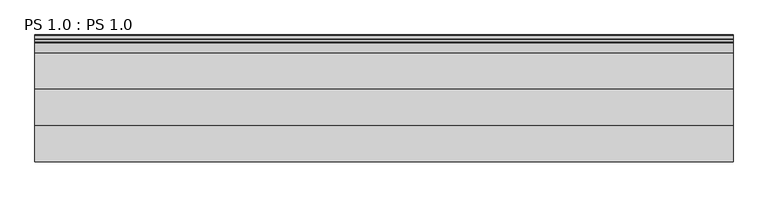
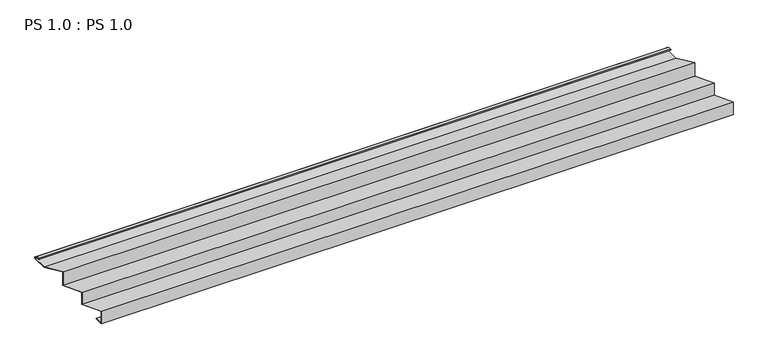
"""IFC4 building model written with IfcOpenShell, lengths in millimetres: proxy geometry, PS 1.0 : PS 1.0."""

from ifc_helpers import new_model, si_unit, point, frame, frame_2d, origin, place, context, project, spatial, polyline, circle_curve, trimmed, segment, composite_curve, outline, extrude, source, transform, mapped, element, save


def ps_1_0_ps_1_0_333f6d8f(model_context):
    return source(origin(), model_context, "Body", "SweptSolid", [
        extrude(outline(composite_curve([segment(polyline([(0.0, 0.0), (0.0, 38.0), (94.0, 2.28), (94.0, 38.0), (188.0, 2.28), (188.0, 42.560153), (282.0, 0.0), (325.0510156, 0.0)]), True, "CONTINUOUS"), segment(trimmed(circle_curve(frame_2d((324.3094696, 1.9153551)), 2.0538928), [point((325.0510156, 0.0))], [point((325.1748462, 3.778041))], True, "CARTESIAN"), True, "CONTINUOUS"), segment(polyline([(325.1748462, 3.778041), (308.7874714, 6.923107)]), True, "CONTINUOUS"), segment(trimmed(circle_curve(frame_2d((309.4078886, 8.6005442)), 1.7884947), [point((308.7874714, 6.923107))], [point((308.9525789, 10.3301125))], False, "CARTESIAN"), True, "CONTINUOUS"), segment(polyline([(308.9525789, 10.3301125), (316.459338, 11.6715995), (316.635255, 10.6871945), (309.1762081, 9.3542338)]), True, "CONTINUOUS"), segment(trimmed(circle_curve(frame_2d((309.4078886, 8.6005442)), 0.7884947), [point((309.1762081, 9.3542338))], [point((309.0735117, 7.8864603))], True, "CARTESIAN"), True, "CONTINUOUS"), segment(polyline([(309.0735117, 7.8864603), (325.4722719, 4.7392091)]), True, "CONTINUOUS"), segment(trimmed(circle_curve(frame_2d((324.3094696, 1.9153551)), 3.0538928), [point((325.4722719, 4.7392091))], [point((325.2188462, -1.0))], False, "CARTESIAN"), True, "CONTINUOUS"), segment(polyline([(325.2188462, -1.0), (282.0065905, -1.0), (189.0, 41.1103694), (189.0, 0.8302337), (95.0, 36.5502337), (95.0, 0.8302337), (1.0, 36.5502337), (1.0, 1.0), (25.0, 1.0), (25.0, 0.0), (0.0, 0.0)]), True, "CONTINUOUS")], self_intersect=False)), frame((0.0, 0.0, 0.0), z_axis=(1.0, 0.0, 0.0), x_axis=(0.0, 1.0, 0.0)), (0.0, 0.0, 1.0), 1800.0),
    ])


if __name__ == "__main__":
    model = new_model("IFC4")
    model_context = context("Model", 3, world=origin())
    ifc_project = project(units=[si_unit("LENGTHUNIT", "METRE", prefix="MILLI")], contexts=[model_context])
    site = spatial("IfcSite", under=ifc_project)
    building = spatial("IfcBuilding", under=site)
    placement = place(None, origin())
    ps_1_0_ps_1_0_shape = ps_1_0_ps_1_0_333f6d8f(model_context)
    element("IfcBuildingElementProxy", 1, Name="PS 1.0 : PS 1.0", ObjectType="PS 1.0 : PS 1.0", at=placement, inside=building, context=model_context, shape_type="MappedRepresentation", body=[
        mapped(ps_1_0_ps_1_0_shape, transform((0.0, 0.0, 0.0), x_axis=(1.0, 0.0, 0.0), y_axis=(0.0, 1.0, 0.0), z_axis=(0.0, 0.0, 1.0))),
    ])
    save(model, "model.ifc")
